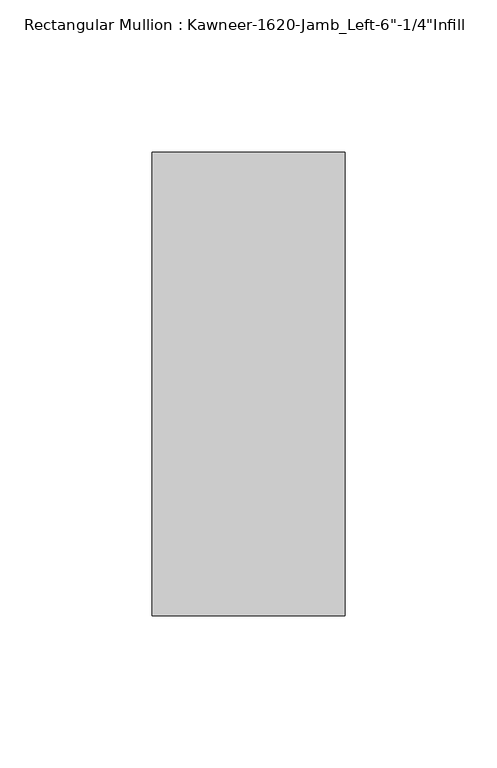
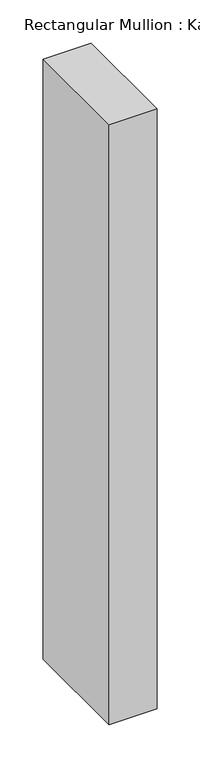
"""IFC4 building model written with IfcOpenShell, lengths in millimetres: member geometry."""

from ifc_helpers import new_model, si_unit, frame, origin, place, context, project, spatial, polyline, outline, extrude, source, transform, mapped, element, save


def member_fe5d5f4d(model_context):
    return source(origin(), model_context, "Body", "SweptSolid", [
        extrude(outline(polyline([(-63.5, 28.575), (0.0, 28.575), (0.0, -123.825), (-63.5, -123.825), (-63.5, 28.575)])), frame((0.0, 0.0, -844.55), z_axis=(0.0, 0.0, 1.0), x_axis=(1.0, 0.0, 0.0)), (0.0, 0.0, 1.0), 844.55),
    ])


if __name__ == "__main__":
    model = new_model("IFC4")
    model_context = context("Model", 3, world=origin())
    ifc_project = project(units=[si_unit("LENGTHUNIT", "METRE", prefix="MILLI")], contexts=[model_context])
    site = spatial("IfcSite", under=ifc_project)
    building = spatial("IfcBuilding", under=site)
    placement = place(None, origin())
    member_shape = member_fe5d5f4d(model_context)
    element("IfcMember", 1, ObjectType="Rectangular Mullion : Kawneer-1620-Jamb_Left-6\"-1/4\"Infill", at=placement, inside=building, context=model_context, shape_type="MappedRepresentation", body=[
        mapped(member_shape, transform((0.0, 0.0, 0.0), x_axis=(1.0, 0.0, 0.0), y_axis=(0.0, 1.0, 0.0), z_axis=(0.0, 0.0, 1.0))),
    ])
    save(model, "model.ifc")
